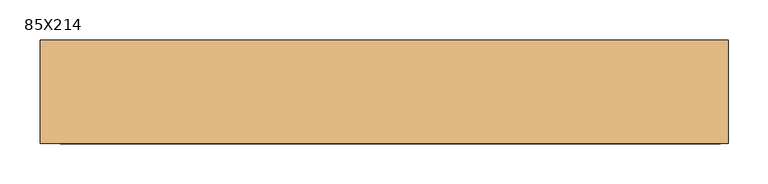
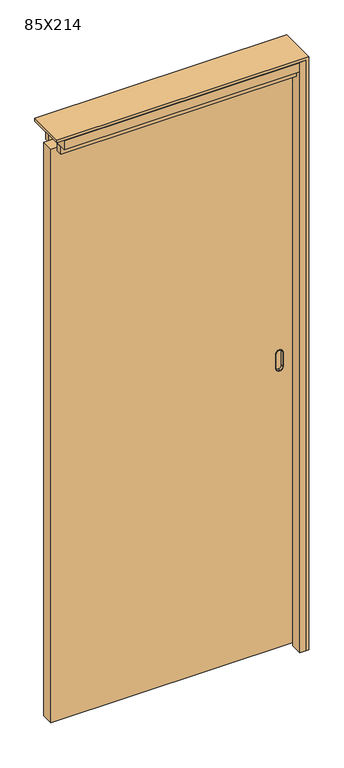
"""IFC4 building model written with IfcOpenShell, lengths in millimetres: door geometry, 85X214."""

from ifc_helpers import new_model, si_unit, point, frame, frame_2d, origin, origin_with_axes, place, context, project, spatial, polyline, circle_curve, trimmed, segment, composite_curve, outline, extrude, source, transform, mapped, element, save
from ifc_brep_helpers import plane_surface, cylinder_surface, revolved_surface, advanced_brep


def door_85x214_27d3dc96(model_context):
    return source(origin(), model_context, "Body", "SolidModel", [
        advanced_brep(
        [(359.5, -12.0, 1080.5), (360.5, -12.0, 1080.5), (371.5, -12.0, 1069.5), (371.5, -12.0, 1018.5), (360.5, -12.0, 1007.5), (359.5, -12.0, 1007.5), (348.5, -12.0, 1018.5), (348.5, -12.0, 1069.5), (359.5, -22.0, 1006.5), (360.5, -22.0, 1006.5), (372.5, -22.0, 1018.5), (372.5, -22.0, 1069.5), (360.5, -22.0, 1081.5), (359.5, -22.0, 1081.5), (347.5, -22.0, 1069.5), (347.5, -22.0, 1018.5), (359.5, -22.0, 1079.5), (360.5, -22.0, 1079.5), (370.5, -22.0, 1069.5), (370.5, -22.0, 1018.5), (360.5, -22.0, 1008.5), (359.5, -22.0, 1008.5), (349.5, -22.0, 1018.5), (349.5, -22.0, 1069.5), (348.5, -20.0, 1069.5), (359.5, -20.0, 1080.5), (348.5, -20.0, 1018.5), (359.5, -20.0, 1007.5), (360.5, -20.0, 1007.5), (371.5, -20.0, 1018.5), (371.5, -20.0, 1069.5), (360.5, -20.0, 1080.5), (359.5, -20.0, 1006.5), (347.5, -20.0, 1018.5), (347.5, -20.0, 1069.5), (359.5, -20.0, 1081.5), (360.5, -20.0, 1081.5), (372.5, -20.0, 1069.5), (372.5, -20.0, 1018.5), (360.5, -20.0, 1006.5), (359.5, -13.0, 1079.5), (349.5, -13.0, 1069.5), (349.5, -13.0, 1018.5), (359.5, -13.0, 1008.5), (360.5, -13.0, 1008.5), (370.5, -13.0, 1018.5), (370.5, -13.0, 1069.5), (360.5, -13.0, 1079.5)],
        [
            (0, 1),
            (1, 2, circle_curve(frame((360.5, -12.0, 1069.5), z_axis=(0.0, 1.0, 0.0), x_axis=(-1.0, 0.0, 0.0)), 11.0)),
            (2, 3),
            (3, 4, circle_curve(frame((360.5, -12.0, 1018.5), z_axis=(0.0, 1.0, 0.0), x_axis=(-1.0, 0.0, 0.0)), 11.0)),
            (4, 5),
            (5, 6, circle_curve(frame((359.5, -12.0, 1018.5), z_axis=(0.0, 1.0, 0.0), x_axis=(-1.0, 0.0, 0.0)), 11.0)),
            (6, 7),
            (7, 0, circle_curve(frame((359.5, -12.0, 1069.5), z_axis=(0.0, 1.0, 0.0), x_axis=(-1.0, 0.0, 0.0)), 11.0)),
            (8, 9),
            (9, 10, circle_curve(frame((360.5, -22.0, 1018.5), z_axis=(0.0, -1.0, 0.0), x_axis=(-1.0, 0.0, 0.0)), 12.0)),
            (10, 11),
            (11, 12, circle_curve(frame((360.5, -22.0, 1069.5), z_axis=(0.0, -1.0, 0.0), x_axis=(-1.0, 0.0, 0.0)), 12.0)),
            (12, 13),
            (13, 14, circle_curve(frame((359.5, -22.0, 1069.5), z_axis=(0.0, -1.0, 0.0), x_axis=(-1.0, 0.0, 0.0)), 12.0)),
            (14, 15),
            (15, 8, circle_curve(frame((359.5, -22.0, 1018.5), z_axis=(0.0, -1.0, 0.0), x_axis=(-1.0, 0.0, 0.0)), 12.0)),
            (16, 17),
            (17, 18, circle_curve(frame((360.5, -22.0, 1069.5), z_axis=(0.0, 1.0, 0.0), x_axis=(-1.0, 0.0, 0.0)), 10.0)),
            (18, 19),
            (19, 20, circle_curve(frame((360.5, -22.0, 1018.5), z_axis=(0.0, 1.0, 0.0), x_axis=(-1.0, 0.0, 0.0)), 10.0)),
            (20, 21),
            (21, 22, circle_curve(frame((359.5, -22.0, 1018.5), z_axis=(0.0, 1.0, 0.0), x_axis=(-1.0, 0.0, 0.0)), 10.0)),
            (22, 23),
            (23, 16, circle_curve(frame((359.5, -22.0, 1069.5), z_axis=(0.0, 1.0, 0.0), x_axis=(-1.0, 0.0, 0.0)), 10.0)),
            (7, 24),
            (24, 25, circle_curve(frame((359.5, -20.0, 1069.5), z_axis=(0.0, 1.0, 0.0), x_axis=(-1.0, 0.0, 0.0)), 11.0)),
            (25, 0),
            (6, 26),
            (26, 24),
            (5, 27),
            (27, 26, circle_curve(frame((359.5, -20.0, 1018.5), z_axis=(0.0, 1.0, 0.0), x_axis=(-1.0, 0.0, 0.0)), 11.0)),
            (4, 28),
            (28, 27),
            (3, 29),
            (29, 28, circle_curve(frame((360.5, -20.0, 1018.5), z_axis=(0.0, 1.0, 0.0), x_axis=(-1.0, 0.0, 0.0)), 11.0)),
            (2, 30),
            (30, 29),
            (1, 31),
            (31, 30, circle_curve(frame((360.5, -20.0, 1069.5), z_axis=(0.0, 1.0, 0.0), x_axis=(-1.0, 0.0, 0.0)), 11.0)),
            (25, 31),
            (32, 33, circle_curve(frame((359.5, -20.0, 1018.5), z_axis=(0.0, 1.0, 0.0), x_axis=(-1.0, 0.0, 0.0)), 12.0)),
            (33, 34),
            (34, 35, circle_curve(frame((359.5, -20.0, 1069.5), z_axis=(0.0, 1.0, 0.0), x_axis=(-1.0, 0.0, 0.0)), 12.0)),
            (35, 36),
            (36, 37, circle_curve(frame((360.5, -20.0, 1069.5), z_axis=(0.0, 1.0, 0.0), x_axis=(-1.0, 0.0, 0.0)), 12.0)),
            (37, 38),
            (38, 39, circle_curve(frame((360.5, -20.0, 1018.5), z_axis=(0.0, 1.0, 0.0), x_axis=(-1.0, 0.0, 0.0)), 12.0)),
            (39, 32),
            (39, 9),
            (8, 32),
            (38, 10),
            (37, 11),
            (36, 12),
            (35, 13),
            (34, 14),
            (33, 15),
            (40, 41, circle_curve(frame((359.5, -13.0, 1069.5), z_axis=(0.0, -1.0, 0.0), x_axis=(-1.0, 0.0, 0.0)), 10.0)),
            (41, 42),
            (42, 43, circle_curve(frame((359.5, -13.0, 1018.5), z_axis=(0.0, -1.0, 0.0), x_axis=(-1.0, 0.0, 0.0)), 10.0)),
            (43, 44),
            (44, 45, circle_curve(frame((360.5, -13.0, 1018.5), z_axis=(0.0, -1.0, 0.0), x_axis=(-1.0, 0.0, 0.0)), 10.0)),
            (45, 46),
            (46, 47, circle_curve(frame((360.5, -13.0, 1069.5), z_axis=(0.0, -1.0, 0.0), x_axis=(-1.0, 0.0, 0.0)), 10.0)),
            (47, 40),
            (40, 16),
            (23, 41),
            (22, 42),
            (21, 43),
            (20, 44),
            (19, 45),
            (18, 46),
            (17, 47),
        ],
        [
            plane_surface(frame((348.5, -12.0, 1069.5), z_axis=(0.0, 1.0, 0.0), x_axis=(0.0, 0.0, -1.0))),
            plane_surface(frame((348.5, -22.0, 1069.5), z_axis=(0.0, -1.0, 0.0), x_axis=(0.0, 0.0, 1.0))),
            cylinder_surface(frame((359.5, -22.0, 1069.5), z_axis=(0.0, 1.0, 0.0), x_axis=(-1.0, 0.0, 0.0)), 11.0),
            plane_surface(frame((348.5, -12.0, 1069.5), z_axis=(-1.0, 0.0, 0.0), x_axis=(0.0, -1.0, 0.0))),
            cylinder_surface(frame((359.5, -22.0, 1018.5), z_axis=(0.0, 1.0, 0.0), x_axis=(-1.0, 0.0, 0.0)), 11.0),
            plane_surface(frame((359.5, -12.0, 1007.5), z_axis=(0.0, 0.0, -1.0), x_axis=(0.0, -1.0, 0.0))),
            cylinder_surface(frame((360.5, -22.0, 1018.5), z_axis=(0.0, 1.0, 0.0), x_axis=(-1.0, 0.0, 0.0)), 11.0),
            plane_surface(frame((371.5, -12.0, 1018.5), z_axis=(1.0, 0.0, 0.0), x_axis=(0.0, -1.0, 0.0))),
            cylinder_surface(frame((360.5, -22.0, 1069.5), z_axis=(0.0, 1.0, 0.0), x_axis=(-1.0, 0.0, 0.0)), 11.0),
            plane_surface(frame((360.5, -12.0, 1080.5), z_axis=(0.0, 0.0, 1.0), x_axis=(0.0, -1.0, 0.0))),
            plane_surface(frame((372.5, -20.0, 1006.5), z_axis=(0.0, 1.0, 0.0), x_axis=(1.0, 0.0, 0.0))),
            plane_surface(frame((359.5, -20.0, 1006.5), z_axis=(0.0, 0.0, -1.0), x_axis=(0.0, -1.0, 0.0))),
            cylinder_surface(frame((360.5, -22.0, 1018.5), z_axis=(0.0, 1.0, 0.0), x_axis=(-1.0, 0.0, 0.0)), 12.0),
            plane_surface(frame((372.5, -20.0, 1018.5), z_axis=(1.0, 0.0, 0.0), x_axis=(0.0, -1.0, 0.0))),
            cylinder_surface(frame((360.5, -22.0, 1069.5), z_axis=(0.0, 1.0, 0.0), x_axis=(-1.0, 0.0, 0.0)), 12.0),
            plane_surface(frame((360.5, -20.0, 1081.5), z_axis=(0.0, 0.0, 1.0), x_axis=(0.0, -1.0, 0.0))),
            cylinder_surface(frame((359.5, -22.0, 1069.5), z_axis=(0.0, 1.0, 0.0), x_axis=(-1.0, 0.0, 0.0)), 12.0),
            plane_surface(frame((347.5, -20.0, 1069.5), z_axis=(-1.0, 0.0, 0.0), x_axis=(0.0, -1.0, 0.0))),
            cylinder_surface(frame((359.5, -22.0, 1018.5), z_axis=(0.0, 1.0, 0.0), x_axis=(-1.0, 0.0, 0.0)), 12.0),
            plane_surface(frame((349.5, -13.0, 1069.5), z_axis=(0.0, -1.0, 0.0), x_axis=(0.0, 0.0, -1.0))),
            revolved_surface(polyline([(349.5, -13.0, 1069.5), (349.5, -22.0, 1069.5)]), (359.5, -22.0, 1069.5), (0.0, 1.0, 0.0)),
            plane_surface(frame((349.5, -13.0, 1069.5), z_axis=(1.0, 0.0, 0.0), x_axis=(0.0, -1.0, 0.0))),
            revolved_surface(polyline([(349.5, -13.0, 1018.5), (349.5, -22.0, 1018.5)]), (359.5, -22.0, 1018.5), (0.0, 1.0, 0.0)),
            plane_surface(frame((359.5, -13.0, 1008.5), z_axis=(0.0, 0.0, 1.0), x_axis=(0.0, -1.0, 0.0))),
            revolved_surface(polyline([(350.5, -13.0, 1018.5), (350.5, -22.0, 1018.5)]), (360.5, -22.0, 1018.5), (0.0, 1.0, 0.0)),
            plane_surface(frame((370.5, -13.0, 1018.5), z_axis=(-1.0, 0.0, 0.0), x_axis=(0.0, -1.0, 0.0))),
            revolved_surface(polyline([(350.5, -13.0, 1069.5), (350.5, -22.0, 1069.5)]), (360.5, -22.0, 1069.5), (0.0, 1.0, 0.0)),
            plane_surface(frame((360.5, -13.0, 1079.5), z_axis=(0.0, 0.0, -1.0), x_axis=(0.0, -1.0, 0.0))),
        ],
        [
            (0, [[1, 2, 3, 4, 5, 6, 7, 8]]),
            (1, [[9, 10, 11, 12, 13, 14, 15, 16], [17, 18, 19, 20, 21, 22, 23, 24]]),
            (2, [[25, 26, 27, -8]]),
            (3, [[28, 29, -25, -7]]),
            (4, [[30, 31, -28, -6]]),
            (5, [[32, 33, -30, -5]]),
            (6, [[34, 35, -32, -4]]),
            (7, [[36, 37, -34, -3]]),
            (8, [[38, 39, -36, -2]]),
            (9, [[-27, 40, -38, -1]]),
            (10, [[41, 42, 43, 44, 45, 46, 47, 48], [-29, -31, -33, -35, -37, -39, -40, -26]]),
            (11, [[49, -9, 50, -48]]),
            (12, [[51, -10, -49, -47]]),
            (13, [[52, -11, -51, -46]]),
            (14, [[53, -12, -52, -45]]),
            (15, [[54, -13, -53, -44]]),
            (16, [[55, -14, -54, -43]]),
            (17, [[56, -15, -55, -42]]),
            (18, [[-50, -16, -56, -41]]),
            (19, [[57, 58, 59, 60, 61, 62, 63, 64]]),
            (20, [[65, -24, 66, -57]]),
            (21, [[-66, -23, 67, -58]]),
            (22, [[-67, -22, 68, -59]]),
            (23, [[-68, -21, 69, -60]]),
            (24, [[-69, -20, 70, -61]]),
            (25, [[-70, -19, 71, -62]]),
            (26, [[-71, -18, 72, -63]]),
            (27, [[-72, -17, -65, -64]]),
        ],
    ),
        advanced_brep(
        [(359.5, 12.0, 1080.5), (348.5, 12.0, 1069.5), (348.5, 12.0, 1018.5), (359.5, 12.0, 1007.5), (360.5, 12.0, 1007.5), (371.5, 12.0, 1018.5), (371.5, 12.0, 1069.5), (360.5, 12.0, 1080.5), (359.5, 22.0, 1006.5), (347.5, 22.0, 1018.5), (347.5, 22.0, 1069.5), (359.5, 22.0, 1081.5), (360.5, 22.0, 1081.5), (372.5, 22.0, 1069.5), (372.5, 22.0, 1018.5), (360.5, 22.0, 1006.5), (359.5, 22.0, 1079.5), (349.5, 22.0, 1069.5), (349.5, 22.0, 1018.5), (359.5, 22.0, 1008.5), (360.5, 22.0, 1008.5), (370.5, 22.0, 1018.5), (370.5, 22.0, 1069.5), (360.5, 22.0, 1079.5), (359.5, 20.0, 1080.5), (348.5, 20.0, 1069.5), (348.5, 20.0, 1018.5), (359.5, 20.0, 1007.5), (360.5, 20.0, 1007.5), (371.5, 20.0, 1018.5), (371.5, 20.0, 1069.5), (360.5, 20.0, 1080.5), (359.5, 20.0, 1006.5), (360.5, 20.0, 1006.5), (372.5, 20.0, 1018.5), (372.5, 20.0, 1069.5), (360.5, 20.0, 1081.5), (359.5, 20.0, 1081.5), (347.5, 20.0, 1069.5), (347.5, 20.0, 1018.5), (359.5, 13.0, 1079.5), (360.5, 13.0, 1079.5), (370.5, 13.0, 1069.5), (370.5, 13.0, 1018.5), (360.5, 13.0, 1008.5), (359.5, 13.0, 1008.5), (349.5, 13.0, 1018.5), (349.5, 13.0, 1069.5)],
        [
            (0, 1, circle_curve(frame((359.5, 12.0, 1069.5), z_axis=(0.0, -1.0, 0.0), x_axis=(-1.0, 0.0, 0.0)), 11.0)),
            (1, 2),
            (2, 3, circle_curve(frame((359.5, 12.0, 1018.5), z_axis=(0.0, -1.0, 0.0), x_axis=(-1.0, 0.0, 0.0)), 11.0)),
            (3, 4),
            (4, 5, circle_curve(frame((360.5, 12.0, 1018.5), z_axis=(0.0, -1.0, 0.0), x_axis=(-1.0, 0.0, 0.0)), 11.0)),
            (5, 6),
            (6, 7, circle_curve(frame((360.5, 12.0, 1069.5), z_axis=(0.0, -1.0, 0.0), x_axis=(-1.0, 0.0, 0.0)), 11.0)),
            (7, 0),
            (8, 9, circle_curve(frame((359.5, 22.0, 1018.5), z_axis=(0.0, 1.0, 0.0), x_axis=(-1.0, 0.0, 0.0)), 12.0)),
            (9, 10),
            (10, 11, circle_curve(frame((359.5, 22.0, 1069.5), z_axis=(0.0, 1.0, 0.0), x_axis=(-1.0, 0.0, 0.0)), 12.0)),
            (11, 12),
            (12, 13, circle_curve(frame((360.5, 22.0, 1069.5), z_axis=(0.0, 1.0, 0.0), x_axis=(-1.0, 0.0, 0.0)), 12.0)),
            (13, 14),
            (14, 15, circle_curve(frame((360.5, 22.0, 1018.5), z_axis=(0.0, 1.0, 0.0), x_axis=(-1.0, 0.0, 0.0)), 12.0)),
            (15, 8),
            (16, 17, circle_curve(frame((359.5, 22.0, 1069.5), z_axis=(0.0, -1.0, 0.0), x_axis=(-1.0, 0.0, 0.0)), 10.0)),
            (17, 18),
            (18, 19, circle_curve(frame((359.5, 22.0, 1018.5), z_axis=(0.0, -1.0, 0.0), x_axis=(-1.0, 0.0, 0.0)), 10.0)),
            (19, 20),
            (20, 21, circle_curve(frame((360.5, 22.0, 1018.5), z_axis=(0.0, -1.0, 0.0), x_axis=(-1.0, 0.0, 0.0)), 10.0)),
            (21, 22),
            (22, 23, circle_curve(frame((360.5, 22.0, 1069.5), z_axis=(0.0, -1.0, 0.0), x_axis=(-1.0, 0.0, 0.0)), 10.0)),
            (23, 16),
            (0, 24),
            (24, 25, circle_curve(frame((359.5, 20.0, 1069.5), z_axis=(0.0, -1.0, 0.0), x_axis=(-1.0, 0.0, 0.0)), 11.0)),
            (25, 1),
            (25, 26),
            (26, 2),
            (26, 27, circle_curve(frame((359.5, 20.0, 1018.5), z_axis=(0.0, -1.0, 0.0), x_axis=(-1.0, 0.0, 0.0)), 11.0)),
            (27, 3),
            (27, 28),
            (28, 4),
            (28, 29, circle_curve(frame((360.5, 20.0, 1018.5), z_axis=(0.0, -1.0, 0.0), x_axis=(-1.0, 0.0, 0.0)), 11.0)),
            (29, 5),
            (29, 30),
            (30, 6),
            (30, 31, circle_curve(frame((360.5, 20.0, 1069.5), z_axis=(0.0, -1.0, 0.0), x_axis=(-1.0, 0.0, 0.0)), 11.0)),
            (31, 7),
            (31, 24),
            (32, 33),
            (33, 34, circle_curve(frame((360.5, 20.0, 1018.5), z_axis=(0.0, -1.0, 0.0), x_axis=(-1.0, 0.0, 0.0)), 12.0)),
            (34, 35),
            (35, 36, circle_curve(frame((360.5, 20.0, 1069.5), z_axis=(0.0, -1.0, 0.0), x_axis=(-1.0, 0.0, 0.0)), 12.0)),
            (36, 37),
            (37, 38, circle_curve(frame((359.5, 20.0, 1069.5), z_axis=(0.0, -1.0, 0.0), x_axis=(-1.0, 0.0, 0.0)), 12.0)),
            (38, 39),
            (39, 32, circle_curve(frame((359.5, 20.0, 1018.5), z_axis=(0.0, -1.0, 0.0), x_axis=(-1.0, 0.0, 0.0)), 12.0)),
            (32, 8),
            (15, 33),
            (14, 34),
            (13, 35),
            (12, 36),
            (11, 37),
            (10, 38),
            (9, 39),
            (40, 41),
            (41, 42, circle_curve(frame((360.5, 13.0, 1069.5), z_axis=(0.0, 1.0, 0.0), x_axis=(-1.0, 0.0, 0.0)), 10.0)),
            (42, 43),
            (43, 44, circle_curve(frame((360.5, 13.0, 1018.5), z_axis=(0.0, 1.0, 0.0), x_axis=(-1.0, 0.0, 0.0)), 10.0)),
            (44, 45),
            (45, 46, circle_curve(frame((359.5, 13.0, 1018.5), z_axis=(0.0, 1.0, 0.0), x_axis=(-1.0, 0.0, 0.0)), 10.0)),
            (46, 47),
            (47, 40, circle_curve(frame((359.5, 13.0, 1069.5), z_axis=(0.0, 1.0, 0.0), x_axis=(-1.0, 0.0, 0.0)), 10.0)),
            (47, 17),
            (16, 40),
            (46, 18),
            (45, 19),
            (44, 20),
            (43, 21),
            (42, 22),
            (41, 23),
        ],
        [
            plane_surface(frame((348.5, 12.0, 1069.5), z_axis=(0.0, -1.0, 0.0), x_axis=(0.0, 0.0, -1.0))),
            plane_surface(frame((348.5, 22.0, 1069.5), z_axis=(0.0, 1.0, 0.0), x_axis=(0.0, 0.0, 1.0))),
            cylinder_surface(frame((359.5, 22.0, 1069.5), z_axis=(0.0, -1.0, 0.0), x_axis=(-1.0, 0.0, 0.0)), 11.0),
            plane_surface(frame((348.5, 12.0, 1069.5), z_axis=(-1.0, 0.0, 0.0), x_axis=(0.0, 1.0, 0.0))),
            cylinder_surface(frame((359.5, 22.0, 1018.5), z_axis=(0.0, -1.0, 0.0), x_axis=(-1.0, 0.0, 0.0)), 11.0),
            plane_surface(frame((359.5, 12.0, 1007.5), z_axis=(0.0, 0.0, -1.0), x_axis=(0.0, 1.0, 0.0))),
            cylinder_surface(frame((360.5, 22.0, 1018.5), z_axis=(0.0, -1.0, 0.0), x_axis=(-1.0, 0.0, 0.0)), 11.0),
            plane_surface(frame((371.5, 12.0, 1018.5), z_axis=(1.0, 0.0, 0.0), x_axis=(0.0, 1.0, 0.0))),
            cylinder_surface(frame((360.5, 22.0, 1069.5), z_axis=(0.0, -1.0, 0.0), x_axis=(-1.0, 0.0, 0.0)), 11.0),
            plane_surface(frame((360.5, 12.0, 1080.5), z_axis=(0.0, 0.0, 1.0), x_axis=(0.0, 1.0, 0.0))),
            plane_surface(frame((372.5, 20.0, 1006.5), z_axis=(0.0, -1.0, 0.0), x_axis=(1.0, 0.0, 0.0))),
            plane_surface(frame((359.5, 20.0, 1006.5), z_axis=(0.0, 0.0, -1.0), x_axis=(0.0, 1.0, 0.0))),
            cylinder_surface(frame((360.5, 22.0, 1018.5), z_axis=(0.0, -1.0, 0.0), x_axis=(-1.0, 0.0, 0.0)), 12.0),
            plane_surface(frame((372.5, 20.0, 1018.5), z_axis=(1.0, 0.0, 0.0), x_axis=(0.0, 1.0, 0.0))),
            cylinder_surface(frame((360.5, 22.0, 1069.5), z_axis=(0.0, -1.0, 0.0), x_axis=(-1.0, 0.0, 0.0)), 12.0),
            plane_surface(frame((360.5, 20.0, 1081.5), z_axis=(0.0, 0.0, 1.0), x_axis=(0.0, 1.0, 0.0))),
            cylinder_surface(frame((359.5, 22.0, 1069.5), z_axis=(0.0, -1.0, 0.0), x_axis=(-1.0, 0.0, 0.0)), 12.0),
            plane_surface(frame((347.5, 20.0, 1069.5), z_axis=(-1.0, 0.0, 0.0), x_axis=(0.0, 1.0, 0.0))),
            cylinder_surface(frame((359.5, 22.0, 1018.5), z_axis=(0.0, -1.0, 0.0), x_axis=(-1.0, 0.0, 0.0)), 12.0),
            plane_surface(frame((349.5, 13.0, 1069.5), z_axis=(0.0, 1.0, 0.0), x_axis=(0.0, 0.0, -1.0))),
            revolved_surface(polyline([(349.5, 13.0, 1069.5), (349.5, 22.0, 1069.5)]), (359.5, 22.0, 1069.5), (0.0, -1.0, 0.0)),
            plane_surface(frame((349.5, 13.0, 1069.5), z_axis=(1.0, 0.0, 0.0), x_axis=(0.0, 1.0, 0.0))),
            revolved_surface(polyline([(349.5, 13.0, 1018.5), (349.5, 22.0, 1018.5)]), (359.5, 22.0, 1018.5), (0.0, -1.0, 0.0)),
            plane_surface(frame((359.5, 13.0, 1008.5), z_axis=(0.0, 0.0, 1.0), x_axis=(0.0, 1.0, 0.0))),
            revolved_surface(polyline([(350.5, 13.0, 1018.5), (350.5, 22.0, 1018.5)]), (360.5, 22.0, 1018.5), (0.0, -1.0, 0.0)),
            plane_surface(frame((370.5, 13.0, 1018.5), z_axis=(-1.0, 0.0, 0.0), x_axis=(0.0, 1.0, 0.0))),
            revolved_surface(polyline([(350.5, 13.0, 1069.5), (350.5, 22.0, 1069.5)]), (360.5, 22.0, 1069.5), (0.0, -1.0, 0.0)),
            plane_surface(frame((360.5, 13.0, 1079.5), z_axis=(0.0, 0.0, -1.0), x_axis=(0.0, 1.0, 0.0))),
        ],
        [
            (0, [[1, 2, 3, 4, 5, 6, 7, 8]]),
            (1, [[9, 10, 11, 12, 13, 14, 15, 16], [17, 18, 19, 20, 21, 22, 23, 24]]),
            (2, [[-1, 25, 26, 27]]),
            (3, [[-2, -27, 28, 29]]),
            (4, [[-3, -29, 30, 31]]),
            (5, [[-4, -31, 32, 33]]),
            (6, [[-5, -33, 34, 35]]),
            (7, [[-6, -35, 36, 37]]),
            (8, [[-7, -37, 38, 39]]),
            (9, [[-8, -39, 40, -25]]),
            (10, [[41, 42, 43, 44, 45, 46, 47, 48], [-26, -40, -38, -36, -34, -32, -30, -28]]),
            (11, [[-41, 49, -16, 50]]),
            (12, [[-42, -50, -15, 51]]),
            (13, [[-43, -51, -14, 52]]),
            (14, [[-44, -52, -13, 53]]),
            (15, [[-45, -53, -12, 54]]),
            (16, [[-46, -54, -11, 55]]),
            (17, [[-47, -55, -10, 56]]),
            (18, [[-48, -56, -9, -49]]),
            (19, [[57, 58, 59, 60, 61, 62, 63, 64]]),
            (20, [[-64, 65, -17, 66]]),
            (21, [[-63, 67, -18, -65]]),
            (22, [[-62, 68, -19, -67]]),
            (23, [[-61, 69, -20, -68]]),
            (24, [[-60, 70, -21, -69]]),
            (25, [[-59, 71, -22, -70]]),
            (26, [[-58, 72, -23, -71]]),
            (27, [[-57, -66, -24, -72]]),
        ],
    ),
        extrude(outline(polyline([(2079.0, -420.0), (9.0, -420.0), (9.0, 410.0), (2079.0, 410.0), (2079.0, -420.0)]), holes=[composite_curve([segment(trimmed(circle_curve(frame_2d((1070.0, 359.0)), 10.0), [point((1070.0, 349.0))], [point((1080.0, 359.0))], True, "CARTESIAN"), True, "CONTINUOUS"), segment(polyline([(1080.0, 359.0), (1080.0, 361.0)]), True, "CONTINUOUS"), segment(trimmed(circle_curve(frame_2d((1070.0, 361.0)), 10.0), [point((1080.0, 361.0))], [point((1070.0, 371.0))], True, "CARTESIAN"), True, "CONTINUOUS"), segment(polyline([(1070.0, 371.0), (1018.0, 371.0)]), True, "CONTINUOUS"), segment(trimmed(circle_curve(frame_2d((1018.0, 361.0)), 10.0), [point((1018.0, 371.0))], [point((1008.0, 361.0))], True, "CARTESIAN"), True, "CONTINUOUS"), segment(polyline([(1008.0, 361.0), (1008.0, 359.0)]), True, "CONTINUOUS"), segment(trimmed(circle_curve(frame_2d((1018.0, 359.0)), 10.0), [point((1008.0, 359.0))], [point((1018.0, 349.0))], True, "CARTESIAN"), True, "CONTINUOUS"), segment(polyline([(1018.0, 349.0), (1070.0, 349.0)]), True, "CONTINUOUS")], self_intersect=False)]), frame((0.0, -20.0, 0.0), z_axis=(0.0, 1.0, 0.0), x_axis=(0.0, 0.0, 1.0)), (0.0, 0.0, 1.0), 40.0),
        extrude(outline(polyline([(425.0, -65.0), (404.0, -65.0), (404.0, -25.0), (410.0, -25.0), (410.0, 25.0), (404.0, 25.0), (404.0, 65.0), (425.0, 65.0), (425.0, -65.0)])), origin_with_axes(), (0.0, 0.0, 1.0), 2130.0),
        extrude(outline(polyline([(2140.0, -425.0), (2130.0, -425.0), (2130.0, 425.0), (0.0, 425.0), (0.0, 435.0), (2140.0, 435.0), (2140.0, -425.0)])), frame((0.0, -65.0, 0.0), z_axis=(0.0, 1.0, 0.0), x_axis=(0.0, 0.0, 1.0)), (0.0, 0.0, 1.0), 130.0),
        extrude(outline(polyline([(404.0, -25.0), (404.0, -45.0), (-400.0, -45.0), (-400.0, -25.0), (404.0, -25.0)])), frame((0.0, 0.0, 2068.0), z_axis=(0.0, 0.0, 1.0), x_axis=(1.0, 0.0, 0.0)), (0.0, 0.0, 1.0), 28.0),
        extrude(outline(polyline([(404.0, 45.0), (404.0, 25.0), (-400.0, 25.0), (-400.0, 45.0), (404.0, 45.0)])), frame((0.0, 0.0, 2068.0), z_axis=(0.0, 0.0, 1.0), x_axis=(1.0, 0.0, 0.0)), (0.0, 0.0, 1.0), 28.0),
        extrude(outline(polyline([(404.0, -16.0), (404.0, -65.0), (-400.0, -65.0), (-400.0, -16.0), (404.0, -16.0)])), frame((0.0, 0.0, 2096.0), z_axis=(0.0, 0.0, 1.0), x_axis=(1.0, 0.0, 0.0)), (0.0, 0.0, 1.0), 34.0),
        extrude(outline(polyline([(404.0, 65.0), (404.0, 16.0), (-400.0, 16.0), (-400.0, 65.0), (404.0, 65.0)])), frame((0.0, 0.0, 2096.0), z_axis=(0.0, 0.0, 1.0), x_axis=(1.0, 0.0, 0.0)), (0.0, 0.0, 1.0), 34.0),
    ])


if __name__ == "__main__":
    model = new_model("IFC4")
    model_context = context("Model", 3, world=origin())
    ifc_project = project(units=[si_unit("LENGTHUNIT", "METRE", prefix="MILLI")], contexts=[model_context])
    site = spatial("IfcSite", under=ifc_project)
    building = spatial("IfcBuilding", under=site)
    placement = place(None, origin())
    door_85x214_shape = door_85x214_27d3dc96(model_context)
    element("IfcDoor", 1, ObjectType="85X214", at=placement, inside=building, context=model_context, shape_type="MappedRepresentation", body=[
        mapped(door_85x214_shape, transform((0.0, 0.0, 0.0), x_axis=(1.0, 0.0, 0.0), y_axis=(0.0, 1.0, 0.0), z_axis=(0.0, 0.0, 1.0))),
    ])
    save(model, "model.ifc")
